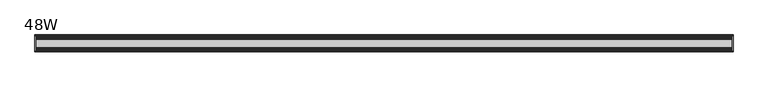
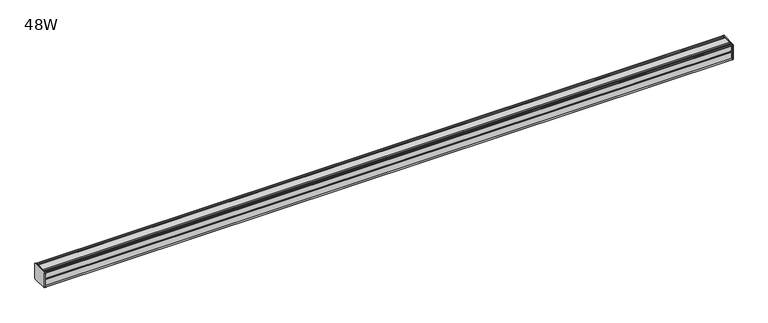
"""IFC4 building model written with IfcOpenShell, lengths in millimetres: furniture geometry, 48W."""

from ifc_helpers import new_model, si_unit, frame, origin, place, context, project, spatial, circle_curve, source, transform, mapped, element, save
from ifc_brep_helpers import plane_surface, cylinder_surface, advanced_brep


def furniture_48w_745d294b(model_context):
    return source(origin(), model_context, "Body", "AdvancedBrep", [
        advanced_brep(
        [(608.0125, 14.5851562, 1450.1436262), (608.0125, 14.5851562, 1423.9932877), (608.0125, 14.4138595, 1423.1873997), (608.0125, 13.8374434, 1422.6109837), (608.0125, 12.9019306, 1422.3603131), (608.0125, -13.4067434, 1422.3603131), (608.0125, -14.3040014, 1423.2575711), (608.0125, -14.5851563, 1424.0259798), (608.0125, -14.5851563, 1449.9443327), (608.0125, -14.3040014, 1450.7127414), (608.0125, -13.4464303, 1451.5703125), (608.0125, 13.0500437, 1451.5703125), (608.0125, 13.8374434, 1451.3593288), (608.0125, 14.4138595, 1450.7829128), (609.6, 14.6248431, 1449.9955131), (609.6, 14.4138595, 1450.7829128), (609.6, 13.8374434, 1451.3593288), (609.6, 13.0500437, 1451.5703125), (609.6, -13.4464303, 1451.5703125), (609.6, -14.3040014, 1450.7127414), (609.6, -14.5851563, 1449.9443327), (609.6, -14.5851563, 1424.0259798), (609.6, -14.3040014, 1423.2575711), (609.6, -13.4067434, 1422.3603131), (609.6, 12.9019306, 1422.3603131), (609.6, 13.8374434, 1422.6109837), (609.6, 14.4138595, 1423.1873997), (609.6, 14.5851562, 1423.9932877)],
        [
            (0, 1),
            (1, 2),
            (2, 3),
            (3, 4),
            (4, 5),
            (5, 6),
            (6, 7, circle_curve(frame((608.0125, -13.3945313, 1424.0259798), z_axis=(-1.0, 0.0, 0.0), x_axis=(0.0, 1.0, 0.0)), 1.190625)),
            (7, 8),
            (8, 9, circle_curve(frame((608.0125, -13.3945313, 1449.9443327), z_axis=(-1.0, 0.0, 0.0), x_axis=(0.0, 1.0, 0.0)), 1.190625)),
            (9, 10),
            (10, 11),
            (11, 12),
            (12, 13),
            (13, 0),
            (14, 15),
            (15, 16),
            (16, 17),
            (17, 18),
            (18, 19),
            (19, 20, circle_curve(frame((609.6, -13.3945313, 1449.9443327), z_axis=(1.0, 0.0, 0.0), x_axis=(0.0, 1.0, 0.0)), 1.190625)),
            (20, 21),
            (21, 22, circle_curve(frame((609.6, -13.3945313, 1424.0259798), z_axis=(1.0, 0.0, 0.0), x_axis=(0.0, 1.0, 0.0)), 1.190625)),
            (22, 23),
            (23, 24),
            (24, 25),
            (25, 26),
            (26, 27),
            (27, 14),
            (13, 15),
            (14, 0),
            (12, 16),
            (11, 17),
            (10, 18),
            (9, 19),
            (8, 20),
            (7, 21),
            (6, 22),
            (5, 23),
            (4, 24),
            (3, 25),
            (2, 26),
            (1, 27),
        ],
        [
            plane_surface(frame((608.0125, 14.5851562, 1423.9932877), z_axis=(-1.0, 0.0, 0.0), x_axis=(0.0, 0.0, -1.0))),
            plane_surface(frame((609.6, 14.5851562, 1423.9932877), z_axis=(1.0, 0.0, 0.0), x_axis=(0.0, 0.0, 1.0))),
            plane_surface(frame((608.0125, 14.4138595, 1450.7829128), z_axis=(0.0, 0.9659256560349851, 0.25881968049857335), x_axis=(1.0, 0.0, 0.0))),
            plane_surface(frame((608.0125, 13.8374434, 1451.3593288), z_axis=(0.0, 0.7071067811866332, 0.707106781186462), x_axis=(1.0, 0.0, 0.0))),
            plane_surface(frame((608.0125, 13.0500437, 1451.5703125), z_axis=(0.0, 0.2588196804711877, 0.9659256560423232), x_axis=(1.0, 0.0, 0.0))),
            plane_surface(frame((608.0125, -13.4464303, 1451.5703125), z_axis=(0.0, 0.0, 1.0), x_axis=(1.0, 0.0, 0.0))),
            plane_surface(frame((608.0125, -14.3040014, 1450.7127414), z_axis=(0.0, -0.70710678117674, 0.7071067811963553), x_axis=(1.0, 0.0, 0.0))),
            cylinder_surface(frame((609.6, -13.3945313, 1449.9443327), z_axis=(-1.0, 0.0, 0.0), x_axis=(0.0, 1.0, 0.0)), 1.190625),
            plane_surface(frame((608.0125, -14.5851563, 1424.0259798), z_axis=(0.0, -1.0, 0.0), x_axis=(1.0, 0.0, 0.0))),
            cylinder_surface(frame((609.6, -13.3945313, 1424.0259798), z_axis=(-1.0, 0.0, 0.0), x_axis=(0.0, 1.0, 0.0)), 1.190625),
            plane_surface(frame((608.0125, -13.4067434, 1422.3603131), z_axis=(0.0, -0.707106781191642, -0.7071067811814531), x_axis=(1.0, 0.0, 0.0))),
            plane_surface(frame((608.0125, 12.9019306, 1422.3603131), z_axis=(0.0, 0.0, -1.0), x_axis=(1.0, 0.0, 0.0))),
            plane_surface(frame((608.0125, 13.8374434, 1422.6109837), z_axis=(0.0, 0.2588196804985645, -0.9659256560349875), x_axis=(1.0, 0.0, 0.0))),
            plane_surface(frame((608.0125, 14.4138595, 1423.1873997), z_axis=(0.0, 0.7071067811865204, -0.7071067811865748), x_axis=(1.0, 0.0, 0.0))),
            plane_surface(frame((608.0125, 14.5851562, 1423.9932877), z_axis=(0.0, 0.9781476007310527, -0.207911690830711), x_axis=(1.0, 0.0, 0.0))),
            plane_surface(frame((608.0125, 14.5851562, 1450.1436262), z_axis=(0.0, 1.0, 0.0), x_axis=(1.0, 0.0, 0.0))),
        ],
        [
            (0, [[1, 2, 3, 4, 5, 6, 7, 8, 9, 10, 11, 12, 13, 14]]),
            (1, [[15, 16, 17, 18, 19, 20, 21, 22, 23, 24, 25, 26, 27, 28]]),
            (2, [[-14, 29, -15, 30]]),
            (3, [[-13, 31, -16, -29]]),
            (4, [[-12, 32, -17, -31]]),
            (5, [[-11, 33, -18, -32]]),
            (6, [[-10, 34, -19, -33]]),
            (7, [[-9, 35, -20, -34]]),
            (8, [[-8, 36, -21, -35]]),
            (9, [[-7, 37, -22, -36]]),
            (10, [[-6, 38, -23, -37]]),
            (11, [[-5, 39, -24, -38]]),
            (12, [[-4, 40, -25, -39]]),
            (13, [[-3, 41, -26, -40]]),
            (14, [[-2, 42, -27, -41]]),
            (15, [[-1, -30, -28, -42]]),
        ],
    ),
        advanced_brep(
        [(-608.0125, 14.6248431, 1449.9955131), (-608.0125, 14.4138595, 1450.7829128), (-608.0125, 13.8374434, 1451.3593288), (-608.0125, 13.0500437, 1451.5703125), (-608.0125, -13.4464303, 1451.5703125), (-608.0125, -14.3040014, 1450.7127414), (-608.0125, -14.5851563, 1449.9443327), (-608.0125, -14.5851563, 1424.0259798), (-608.0125, -14.3040014, 1423.2575711), (-608.0125, -13.4067434, 1422.3603131), (-608.0125, 12.9019306, 1422.3603131), (-608.0125, 13.8374434, 1422.6109837), (-608.0125, 14.4138595, 1423.1873997), (-608.0125, 14.5851562, 1423.9932877), (-609.6, 14.5851562, 1450.1436262), (-609.6, 14.5851562, 1423.9932877), (-609.6, 14.4138595, 1423.1873997), (-609.6, 13.8374434, 1422.6109837), (-609.6, 12.9019306, 1422.3603131), (-609.6, -13.4067434, 1422.3603131), (-609.6, -14.3040014, 1423.2575711), (-609.6, -14.5851563, 1424.0259798), (-609.6, -14.5851563, 1449.9443327), (-609.6, -14.3040014, 1450.7127414), (-609.6, -13.4464303, 1451.5703125), (-609.6, 13.0500437, 1451.5703125), (-609.6, 13.8374434, 1451.3593288), (-609.6, 14.4138595, 1450.7829128)],
        [
            (0, 1),
            (1, 2),
            (2, 3),
            (3, 4),
            (4, 5),
            (5, 6, circle_curve(frame((-608.0125, -13.3945313, 1449.9443327), z_axis=(1.0, 0.0, 0.0), x_axis=(0.0, 1.0, 0.0)), 1.190625)),
            (6, 7),
            (7, 8, circle_curve(frame((-608.0125, -13.3945313, 1424.0259798), z_axis=(1.0, 0.0, 0.0), x_axis=(0.0, 1.0, 0.0)), 1.190625)),
            (8, 9),
            (9, 10),
            (10, 11),
            (11, 12),
            (12, 13),
            (13, 0),
            (14, 15),
            (15, 16),
            (16, 17),
            (17, 18),
            (18, 19),
            (19, 20),
            (20, 21, circle_curve(frame((-609.6, -13.3945313, 1424.0259798), z_axis=(-1.0, 0.0, 0.0), x_axis=(0.0, 1.0, 0.0)), 1.190625)),
            (21, 22),
            (22, 23, circle_curve(frame((-609.6, -13.3945313, 1449.9443327), z_axis=(-1.0, 0.0, 0.0), x_axis=(0.0, 1.0, 0.0)), 1.190625)),
            (23, 24),
            (24, 25),
            (25, 26),
            (26, 27),
            (27, 14),
            (0, 14),
            (27, 1),
            (26, 2),
            (25, 3),
            (24, 4),
            (23, 5),
            (22, 6),
            (21, 7),
            (20, 8),
            (19, 9),
            (18, 10),
            (17, 11),
            (16, 12),
            (15, 13),
        ],
        [
            plane_surface(frame((-608.0125, 14.6248431, 1449.9955131), z_axis=(1.0, 0.0, 0.0), x_axis=(0.0, -0.2588196804456063, 0.9659256560491777))),
            plane_surface(frame((-609.6, 14.6248431, 1449.9955131), z_axis=(-1.0, 0.0, 0.0), x_axis=(0.0, 0.2588196804456063, -0.9659256560491777))),
            plane_surface(frame((-608.0125, 14.6248431, 1449.9955131), z_axis=(0.0, 0.9659256560491777, 0.2588196804456063), x_axis=(-1.0, 0.0, 0.0))),
            plane_surface(frame((-608.0125, 14.4138595, 1450.7829128), z_axis=(0.0, 0.7071067810807437, 0.7071067812923514), x_axis=(-1.0, 0.0, 0.0))),
            plane_surface(frame((-608.0125, 13.8374434, 1451.3593288), z_axis=(0.0, 0.2588196804854181, 0.9659256560385101), x_axis=(-1.0, 0.0, 0.0))),
            plane_surface(frame((-608.0125, 13.0500437, 1451.5703125), z_axis=(0.0, 0.0, 1.0), x_axis=(-1.0, 0.0, 0.0))),
            plane_surface(frame((-608.0125, -13.4464303, 1451.5703125), z_axis=(0.0, -0.7071067811880237, 0.7071067811850713), x_axis=(-1.0, 0.0, 0.0))),
            cylinder_surface(frame((-609.6, -13.3945313, 1449.9443327), z_axis=(1.0, 0.0, 0.0), x_axis=(0.0, 1.0, 0.0)), 1.190625),
            plane_surface(frame((-608.0125, -14.5851563, 1449.9443327), z_axis=(0.0, -1.0, 0.0), x_axis=(-1.0, 0.0, 0.0))),
            cylinder_surface(frame((-609.6, -13.3945313, 1424.0259798), z_axis=(1.0, 0.0, 0.0), x_axis=(0.0, 1.0, 0.0)), 1.190625),
            plane_surface(frame((-608.0125, -14.3040014, 1423.2575711), z_axis=(0.0, -0.707106781186535, -0.7071067811865601), x_axis=(-1.0, 0.0, 0.0))),
            plane_surface(frame((-608.0125, -13.4067434, 1422.3603131), z_axis=(0.0, 0.0, -1.0), x_axis=(-1.0, 0.0, 0.0))),
            plane_surface(frame((-608.0125, 12.9019306, 1422.3603131), z_axis=(0.0, 0.2588196804985645, -0.9659256560349875), x_axis=(-1.0, 0.0, 0.0))),
            plane_surface(frame((-608.0125, 13.8374434, 1422.6109837), z_axis=(0.0, 0.707106781186519, -0.7071067811865761), x_axis=(-1.0, 0.0, 0.0))),
            plane_surface(frame((-608.0125, 14.4138595, 1423.1873997), z_axis=(0.0, 0.9781476007317021, -0.20791169082765568), x_axis=(-1.0, 0.0, 0.0))),
            plane_surface(frame((-608.0125, 14.5851562, 1423.9932877), z_axis=(0.0, 1.0, 0.0), x_axis=(-1.0, 0.0, 0.0))),
        ],
        [
            (0, [[1, 2, 3, 4, 5, 6, 7, 8, 9, 10, 11, 12, 13, 14]]),
            (1, [[15, 16, 17, 18, 19, 20, 21, 22, 23, 24, 25, 26, 27, 28]]),
            (2, [[-1, 29, -28, 30]]),
            (3, [[-2, -30, -27, 31]]),
            (4, [[-3, -31, -26, 32]]),
            (5, [[-4, -32, -25, 33]]),
            (6, [[-5, -33, -24, 34]]),
            (7, [[-6, -34, -23, 35]]),
            (8, [[-7, -35, -22, 36]]),
            (9, [[-8, -36, -21, 37]]),
            (10, [[-9, -37, -20, 38]]),
            (11, [[-10, -38, -19, 39]]),
            (12, [[-11, -39, -18, 40]]),
            (13, [[-12, -40, -17, 41]]),
            (14, [[-13, -41, -16, 42]]),
            (15, [[-14, -42, -15, -29]]),
        ],
    ),
        advanced_brep(
        [(608.0125, -7.3748315, 1451.5703125), (608.0125, -8.9105708, 1450.5395796), (608.0125, -10.7601399, 1450.5395796), (608.0125, -12.2958792, 1451.5703125), (608.0125, -13.4464303, 1451.5703125), (608.0125, -14.3040014, 1450.7127414), (608.0125, -13.3945313, 1448.7537077), (608.0125, -13.3945313, 1449.665312), (608.0125, -12.2039063, 1449.665312), (608.0125, -12.2039063, 1437.7590632), (608.0125, -11.4101564, 1436.9653134), (608.0125, -12.2039063, 1436.1715636), (608.0125, -12.2039063, 1424.2653131), (608.0125, -13.3945313, 1424.2653131), (608.0125, -13.3945313, 1425.2166048), (608.0125, -14.3040014, 1423.2575711), (608.0125, -13.4067434, 1422.3603131), (608.0125, -12.2958792, 1422.3603131), (608.0125, -10.7601399, 1423.3910471), (608.0125, -8.9105708, 1423.3910471), (608.0125, -7.4339628, 1422.4), (608.0125, 7.4145184, 1422.4), (608.0125, 8.9502576, 1423.4307329), (608.0125, 10.7998291, 1423.4307329), (608.0125, 12.2275037, 1422.4), (608.0125, 13.0500437, 1422.4), (608.0125, 13.8374434, 1422.6109837), (608.0125, 14.4138595, 1423.1873997), (608.0125, 14.5851562, 1423.9932877), (608.0125, 14.5851562, 1450.1436262), (608.0125, 14.4138595, 1450.7829128), (608.0125, 13.8374434, 1451.3593288), (608.0125, 13.0500437, 1451.5703125), (608.0125, 12.2275037, 1451.5703125), (608.0125, 10.7998291, 1450.5395796), (608.0125, 8.9502576, 1450.5395796), (608.0125, 7.4145184, 1451.5703125), (-608.0125, -7.3748315, 1451.5703125), (-608.0125, 7.4145184, 1451.5703125), (-608.0125, 8.9502576, 1450.5395796), (-608.0125, 10.7998291, 1450.5395796), (-608.0125, 12.2275037, 1451.5703125), (-608.0125, 13.0500437, 1451.5703125), (-608.0125, 13.8374434, 1451.3593288), (-608.0125, 14.4138595, 1450.7829128), (-608.0125, 14.6248431, 1449.9955131), (-608.0125, 14.5851562, 1423.9932877), (-608.0125, 14.4138595, 1423.1873997), (-608.0125, 13.8374434, 1422.6109837), (-608.0125, 13.0500437, 1422.4), (-608.0125, 12.2275037, 1422.4), (-608.0125, 10.7998291, 1423.4307329), (-608.0125, 8.9502576, 1423.4307329), (-608.0125, 7.4145184, 1422.4), (-608.0125, -7.4339628, 1422.4), (-608.0125, -8.9105708, 1423.3910471), (-608.0125, -10.7601399, 1423.3910471), (-608.0125, -12.2958792, 1422.3603131), (-608.0125, -13.4067434, 1422.3603131), (-608.0125, -14.3040014, 1423.2575711), (-608.0125, -13.3945313, 1425.2166048), (-608.0125, -13.3945313, 1424.2653131), (-608.0125, -12.2039063, 1424.2653131), (-608.0125, -12.2039063, 1436.1715636), (-608.0125, -11.4101564, 1436.9653134), (-608.0125, -12.2039063, 1437.7590632), (-608.0125, -12.2039063, 1449.665312), (-608.0125, -13.3945313, 1449.665312), (-608.0125, -13.3945313, 1448.7537077), (-608.0125, -14.3040014, 1450.7127414), (-608.0125, -13.4464303, 1451.5703125), (-608.0125, -12.2958792, 1451.5703125), (-608.0125, -10.7601399, 1450.5395796), (-608.0125, -8.9105708, 1450.5395796)],
        [
            (0, 1),
            (1, 2),
            (2, 3),
            (3, 4),
            (4, 5),
            (5, 6, circle_curve(frame((608.0125, -13.3945313, 1449.9443327), z_axis=(1.0, 0.0, 0.0), x_axis=(0.0, 1.0, 0.0)), 1.190625)),
            (6, 7),
            (7, 8),
            (8, 9),
            (9, 10),
            (10, 11),
            (11, 12),
            (12, 13),
            (13, 14),
            (14, 15, circle_curve(frame((608.0125, -13.3945313, 1424.0259798), z_axis=(1.0, 0.0, 0.0), x_axis=(0.0, 1.0, 0.0)), 1.190625)),
            (15, 16),
            (16, 17),
            (17, 18),
            (18, 19),
            (19, 20),
            (20, 21),
            (21, 22),
            (22, 23),
            (23, 24),
            (24, 25),
            (25, 26),
            (26, 27),
            (27, 28),
            (28, 29),
            (29, 30),
            (30, 31),
            (31, 32),
            (32, 33),
            (33, 34),
            (34, 35),
            (35, 36),
            (36, 0),
            (37, 38),
            (38, 39),
            (39, 40),
            (40, 41),
            (41, 42),
            (42, 43),
            (43, 44),
            (44, 45),
            (45, 46),
            (46, 47),
            (47, 48),
            (48, 49),
            (49, 50),
            (50, 51),
            (51, 52),
            (52, 53),
            (53, 54),
            (54, 55),
            (55, 56),
            (56, 57),
            (57, 58),
            (58, 59),
            (59, 60, circle_curve(frame((-608.0125, -13.3945313, 1424.0259798), z_axis=(-1.0, 0.0, 0.0), x_axis=(0.0, 1.0, 0.0)), 1.190625)),
            (60, 61),
            (61, 62),
            (62, 63),
            (63, 64),
            (64, 65),
            (65, 66),
            (66, 67),
            (67, 68),
            (68, 69, circle_curve(frame((-608.0125, -13.3945313, 1449.9443327), z_axis=(-1.0, 0.0, 0.0), x_axis=(0.0, 1.0, 0.0)), 1.190625)),
            (69, 70),
            (70, 71),
            (71, 72),
            (72, 73),
            (73, 37),
            (0, 37),
            (73, 1),
            (72, 2),
            (71, 3),
            (70, 4),
            (69, 5),
            (68, 6),
            (67, 7),
            (66, 8),
            (65, 9),
            (64, 10),
            (63, 11),
            (62, 12),
            (61, 13),
            (60, 14),
            (59, 15),
            (58, 16),
            (57, 17),
            (56, 18),
            (55, 19),
            (54, 20),
            (53, 21),
            (52, 22),
            (51, 23),
            (50, 24),
            (49, 25),
            (48, 26),
            (47, 27),
            (46, 28),
            (45, 29),
            (44, 30),
            (43, 31),
            (42, 32),
            (41, 33),
            (40, 34),
            (39, 35),
            (38, 36),
        ],
        [
            plane_surface(frame((608.0125, -7.3748315, 1451.5703125), z_axis=(1.0, 0.0, 0.0), x_axis=(0.0, -0.8303227972600603, -0.5572827400433542))),
            plane_surface(frame((-608.0125, -7.3748315, 1451.5703125), z_axis=(-1.0, 0.0, 0.0), x_axis=(0.0, 0.8303227972600603, 0.5572827400433542))),
            plane_surface(frame((608.0125, -7.3748315, 1451.5703125), z_axis=(0.0, -0.5572827400433542, 0.8303227972600603), x_axis=(-1.0, 0.0, 0.0))),
            plane_surface(frame((608.0125, -8.9105708, 1450.5395796), z_axis=(0.0, 0.0, 1.0), x_axis=(-1.0, 0.0, 0.0))),
            plane_surface(frame((608.0125, -10.7601399, 1450.5395796), z_axis=(0.0, 0.5572827400433545, 0.8303227972600602), x_axis=(-1.0, 0.0, 0.0))),
            plane_surface(frame((608.0125, -12.2958792, 1451.5703125), z_axis=(0.0, 0.0, 1.0), x_axis=(-1.0, 0.0, 0.0))),
            plane_surface(frame((608.0125, -13.4464303, 1451.5703125), z_axis=(0.0, -0.7071067811817675, 0.7071067811913275), x_axis=(-1.0, 0.0, 0.0))),
            cylinder_surface(frame((-608.0125, -13.3945313, 1449.9443327), z_axis=(1.0, 0.0, 0.0), x_axis=(0.0, 1.0, 0.0)), 1.190625),
            plane_surface(frame((608.0125, -13.3945313, 1448.7537077), z_axis=(0.0, 1.0, 0.0), x_axis=(-1.0, 0.0, 0.0))),
            plane_surface(frame((608.0125, -13.3945313, 1449.665312), z_axis=(0.0, 0.0, -1.0), x_axis=(-1.0, 0.0, 0.0))),
            plane_surface(frame((608.0125, -12.2039063, 1449.665312), z_axis=(0.0, -1.0, 0.0), x_axis=(-1.0, 0.0, 0.0))),
            plane_surface(frame((608.0125, -12.2039063, 1437.7590632), z_axis=(0.0, -0.7071067811865146, -0.7071067811865805), x_axis=(-1.0, 0.0, 0.0))),
            plane_surface(frame((608.0125, -11.4101564, 1436.9653134), z_axis=(0.0, -0.7071067811865522, 0.7071067811865428), x_axis=(-1.0, 0.0, 0.0))),
            plane_surface(frame((608.0125, -12.2039063, 1436.1715636), z_axis=(0.0, -1.0, 0.0), x_axis=(-1.0, 0.0, 0.0))),
            plane_surface(frame((608.0125, -12.2039063, 1424.2653131), z_axis=(0.0, 0.0, 1.0), x_axis=(-1.0, 0.0, 0.0))),
            plane_surface(frame((608.0125, -13.3945313, 1424.2653131), z_axis=(0.0, 1.0, 0.0), x_axis=(-1.0, 0.0, 0.0))),
            cylinder_surface(frame((-608.0125, -13.3945313, 1424.0259798), z_axis=(1.0, 0.0, 0.0), x_axis=(0.0, 1.0, 0.0)), 1.190625),
            plane_surface(frame((608.0125, -14.3040014, 1423.2575711), z_axis=(0.0, -0.7071067811865884, -0.7071067811865067), x_axis=(-1.0, 0.0, 0.0))),
            plane_surface(frame((608.0125, -13.4067434, 1422.3603131), z_axis=(0.0, 0.0, -1.0), x_axis=(-1.0, 0.0, 0.0))),
            plane_surface(frame((608.0125, -12.2958792, 1422.3603131), z_axis=(0.0, 0.5572831632988446, -0.8303225131860712), x_axis=(-1.0, 0.0, 0.0))),
            plane_surface(frame((608.0125, -10.7601399, 1423.3910471), z_axis=(0.0, 0.0, -1.0), x_axis=(-1.0, 0.0, 0.0))),
            plane_surface(frame((608.0125, -8.9105708, 1423.3910471), z_axis=(0.0, -0.557283163303253, -0.8303225131831125), x_axis=(-1.0, 0.0, 0.0))),
            plane_surface(frame((608.0125, -7.4339628, 1422.4), z_axis=(0.0, 0.0, -1.0), x_axis=(-1.0, 0.0, 0.0))),
            plane_surface(frame((608.0125, 7.4145184, 1422.4), z_axis=(0.0, 0.5572827400518316, -0.8303227972543706), x_axis=(-1.0, 0.0, 0.0))),
            plane_surface(frame((608.0125, 8.9502576, 1423.4307329), z_axis=(0.0, 0.0, -1.0), x_axis=(-1.0, 0.0, 0.0))),
            plane_surface(frame((608.0125, 10.7998291, 1423.4307329), z_axis=(0.0, -0.5853541342124147, -0.8107777362264177), x_axis=(-1.0, 0.0, 0.0))),
            plane_surface(frame((608.0125, 12.2275037, 1422.4), z_axis=(0.0, 0.0, -1.0), x_axis=(-1.0, 0.0, 0.0))),
            plane_surface(frame((608.0125, 13.0500437, 1422.4), z_axis=(0.0, 0.2588196804985639, -0.9659256560349877), x_axis=(-1.0, 0.0, 0.0))),
            plane_surface(frame((608.0125, 13.8374434, 1422.6109837), z_axis=(0.0, 0.7071067811865592, -0.7071067811865358), x_axis=(-1.0, 0.0, 0.0))),
            plane_surface(frame((608.0125, 14.4138595, 1423.1873997), z_axis=(0.0, 0.9781476007317023, -0.20791169082765515), x_axis=(-1.0, 0.0, 0.0))),
            plane_surface(frame((608.0125, 14.5851562, 1423.9932877), z_axis=(0.0, 1.0, 0.0), x_axis=(-1.0, 0.0, 0.0))),
            plane_surface(frame((608.0125, 14.6248431, 1449.9955131), z_axis=(0.0, 0.9659256560492666, 0.25881968044527454), x_axis=(-1.0, 0.0, 0.0))),
            plane_surface(frame((608.0125, 14.4138595, 1450.7829128), z_axis=(0.0, 0.707106781079946, 0.7071067812931492), x_axis=(-1.0, 0.0, 0.0))),
            plane_surface(frame((608.0125, 13.8374434, 1451.3593288), z_axis=(0.0, 0.25881968048555026, 0.9659256560384747), x_axis=(-1.0, 0.0, 0.0))),
            plane_surface(frame((608.0125, 13.0500437, 1451.5703125), z_axis=(0.0, 0.0, 1.0), x_axis=(-1.0, 0.0, 0.0))),
            plane_surface(frame((608.0125, 12.2275037, 1451.5703125), z_axis=(0.0, -0.5853541342081701, 0.8107777362294821), x_axis=(-1.0, 0.0, 0.0))),
            plane_surface(frame((608.0125, 10.7998291, 1450.5395796), z_axis=(0.0, 0.0, 1.0), x_axis=(-1.0, 0.0, 0.0))),
            plane_surface(frame((608.0125, 8.9502576, 1450.5395796), z_axis=(0.0, 0.5572827400433545, 0.8303227972600602), x_axis=(-1.0, 0.0, 0.0))),
            plane_surface(frame((608.0125, 7.4145184, 1451.5703125), z_axis=(0.0, 0.0, 1.0), x_axis=(-1.0, 0.0, 0.0))),
        ],
        [
            (0, [[1, 2, 3, 4, 5, 6, 7, 8, 9, 10, 11, 12, 13, 14, 15, 16, 17, 18, 19, 20, 21, 22, 23, 24, 25, 26, 27, 28, 29, 30, 31, 32, 33, 34, 35, 36, 37]]),
            (1, [[38, 39, 40, 41, 42, 43, 44, 45, 46, 47, 48, 49, 50, 51, 52, 53, 54, 55, 56, 57, 58, 59, 60, 61, 62, 63, 64, 65, 66, 67, 68, 69, 70, 71, 72, 73, 74]]),
            (2, [[-1, 75, -74, 76]]),
            (3, [[-2, -76, -73, 77]]),
            (4, [[-3, -77, -72, 78]]),
            (5, [[-4, -78, -71, 79]]),
            (6, [[-5, -79, -70, 80]]),
            (7, [[-6, -80, -69, 81]]),
            (8, [[-7, -81, -68, 82]]),
            (9, [[-8, -82, -67, 83]]),
            (10, [[-9, -83, -66, 84]]),
            (11, [[-10, -84, -65, 85]]),
            (12, [[-11, -85, -64, 86]]),
            (13, [[-12, -86, -63, 87]]),
            (14, [[-13, -87, -62, 88]]),
            (15, [[-14, -88, -61, 89]]),
            (16, [[-15, -89, -60, 90]]),
            (17, [[-16, -90, -59, 91]]),
            (18, [[-17, -91, -58, 92]]),
            (19, [[-18, -92, -57, 93]]),
            (20, [[-19, -93, -56, 94]]),
            (21, [[-20, -94, -55, 95]]),
            (22, [[-21, -95, -54, 96]]),
            (23, [[-22, -96, -53, 97]]),
            (24, [[-23, -97, -52, 98]]),
            (25, [[-24, -98, -51, 99]]),
            (26, [[-25, -99, -50, 100]]),
            (27, [[-26, -100, -49, 101]]),
            (28, [[-27, -101, -48, 102]]),
            (29, [[-28, -102, -47, 103]]),
            (30, [[-29, -103, -46, 104]]),
            (31, [[-30, -104, -45, 105]]),
            (32, [[-31, -105, -44, 106]]),
            (33, [[-32, -106, -43, 107]]),
            (34, [[-33, -107, -42, 108]]),
            (35, [[-34, -108, -41, 109]]),
            (36, [[-35, -109, -40, 110]]),
            (37, [[-36, -110, -39, 111]]),
            (38, [[-37, -111, -38, -75]]),
        ],
    ),
    ])


if __name__ == "__main__":
    model = new_model("IFC4")
    model_context = context("Model", 3, world=origin())
    ifc_project = project(units=[si_unit("LENGTHUNIT", "METRE", prefix="MILLI")], contexts=[model_context])
    site = spatial("IfcSite", under=ifc_project)
    building = spatial("IfcBuilding", under=site)
    placement = place(None, origin())
    furniture_48w_shape = furniture_48w_745d294b(model_context)
    element("IfcFurniture", 1, ObjectType="48W", at=placement, inside=building, context=model_context, shape_type="MappedRepresentation", body=[
        mapped(furniture_48w_shape, transform((0.0, 0.0, 0.0), x_axis=(1.0, 0.0, 0.0), y_axis=(0.0, 1.0, 0.0), z_axis=(0.0, 0.0, 1.0))),
    ])
    save(model, "model.ifc")
